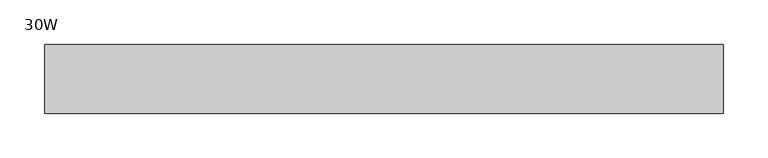
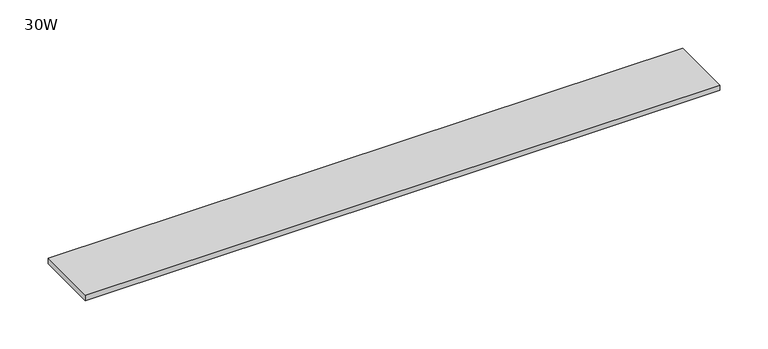
"""IFC4 building model written with IfcOpenShell, lengths in millimetres: furniture geometry, 30W."""

import ifcopenshell
import ifcopenshell.guid

model = None  # the IFC model being written
_history = None  # IfcOwnerHistory: only IFC2X3 demands one
_inside = {}  # id of a spatial element -> (the spatial element, [elements in it])
_under = {}  # id of a project, library or spatial element -> (it, [spatial elements below it])
_declared = {}  # id of a project -> (the project, [libraries it declares])
_typed = {}  # id of a type object -> (the type object, [elements of that type])
_made_of = {}  # id of a material, layer set ... -> (it, [elements and type objects made of it])


def new_model(schema):
    """Start an empty IFC model of exactly this schema.

    Asked for "IFC4X3", IfcOpenShell would pick the latest addendum, in which some entities
    have other attributes; the version numbers below select the first issue.
    IFC2X3 requires an IfcOwnerHistory on every rooted entity: one is made here for all.
    """
    global model, _history
    if schema == "IFC4X3":
        model = ifcopenshell.file(schema_version=(4, 3, 0, 0))
    else:
        model = ifcopenshell.file(schema=schema)
    _inside.clear()
    _under.clear()
    _declared.clear()
    _typed.clear()
    _made_of.clear()
    _history = None
    if model.schema == "IFC2X3":
        org = make("IfcOrganization", Name="unknown")
        user = make(
            "IfcPersonAndOrganization",
            ThePerson=make("IfcPerson", FamilyName="unknown"),
            TheOrganization=org,
        )
        app = make(
            "IfcApplication",
            ApplicationDeveloper=org,
            Version="unknown",
            ApplicationFullName="unknown",
            ApplicationIdentifier="unknown",
        )
        _history = make(
            "IfcOwnerHistory",
            OwningUser=user,
            OwningApplication=app,
            ChangeAction="ADDED",
            CreationDate=0,
        )
    return model


def make(cls, **values):
    """One entity of the class cls with the attributes given. An attribute that is None is left unset."""
    return model.create_entity(
        cls, **{name: value for name, value in values.items() if value is not None}
    )


def rooted(cls, **values):
    """An entity with a GlobalId (a new one), such as an element, a storey or a relation."""
    return make(cls, GlobalId=ifcopenshell.guid.new(), OwnerHistory=_history, **values)


def si_unit(unit_type, name, prefix=None):
    """IfcSIUnit, for example si_unit("LENGTHUNIT", "METRE", prefix="MILLI")."""
    return make("IfcSIUnit", UnitType=unit_type, Prefix=prefix, Name=name)


def assignment(units):
    """IfcUnitAssignment: the units of a project."""
    return None if units is None else make("IfcUnitAssignment", Units=units)


def point(xyz):
    """IfcCartesianPoint."""
    return None if xyz is None else make("IfcCartesianPoint", Coordinates=xyz)


def direction(xyz):
    """IfcDirection."""
    return None if xyz is None else make("IfcDirection", DirectionRatios=xyz)


def frame(location, z_axis=None, x_axis=None):
    """IfcAxis2Placement3D, a coordinate frame: its origin and axes. An axis left out is left unset."""
    return make(
        "IfcAxis2Placement3D",
        Location=point(location),
        Axis=direction(z_axis),
        RefDirection=direction(x_axis),
    )


def origin():
    """The frame at (0, 0, 0) with its axes left unset."""
    return frame((0.0, 0.0, 0.0))


def place(relative_to, where):
    """IfcLocalPlacement: puts the frame where relative to a parent placement (None: the world)."""
    return make(
        "IfcLocalPlacement", PlacementRelTo=relative_to, RelativePlacement=where
    )


def context(
    kind, dimensions, precision=None, world=None, true_north=None, identifier=None
):
    """IfcGeometricRepresentationContext, for example the 3D "Model" context."""
    return make(
        "IfcGeometricRepresentationContext",
        ContextIdentifier=identifier,
        ContextType=kind,
        CoordinateSpaceDimension=dimensions,
        Precision=precision,
        WorldCoordinateSystem=world,
        TrueNorth=true_north,
    )


def project(units=None, contexts=None):
    """IfcProject with its units and contexts."""
    return rooted(
        "IfcProject",
        Name="project",
        RepresentationContexts=contexts,
        UnitsInContext=assignment(units),
    )


def spatial(cls, under=None, at=None, **own):
    """A site, building, storey or space (cls), placed at a placement, below another one or the project."""
    s = rooted(cls, ObjectPlacement=at, **own)
    if under is not None:
        _under.setdefault(under.id(), (under, []))[1].append(s)
    return s


def polyline(points):
    """IfcPolyline through the points."""
    return make("IfcPolyline", Points=[point(p) for p in points])


def outline(outer, holes=None, kind="AREA"):
    """IfcArbitraryClosedProfileDef: a profile drawn as a closed curve; with holes, ...WithVoids."""
    if holes is None:
        return make("IfcArbitraryClosedProfileDef", ProfileType=kind, OuterCurve=outer)
    return make(
        "IfcArbitraryProfileDefWithVoids",
        ProfileType=kind,
        OuterCurve=outer,
        InnerCurves=holes,
    )


def extrude(swept, where, along, depth):
    """IfcExtrudedAreaSolid: the profile swept, set in the frame where, extruded along a direction by depth."""
    return make(
        "IfcExtrudedAreaSolid",
        SweptArea=swept,
        Position=where,
        ExtrudedDirection=direction(along),
        Depth=depth,
    )


def shape(context_of_items, identifier, shape_type, items):
    """IfcShapeRepresentation: the items that make up one representation, for example the "Body"."""
    return make(
        "IfcShapeRepresentation",
        ContextOfItems=context_of_items,
        RepresentationIdentifier=identifier,
        RepresentationType=shape_type,
        Items=items,
    )


def source(mapping_origin, context_of_items, identifier, shape_type, items):
    """IfcRepresentationMap: a shape defined once, which mapped items show again and again."""
    return make(
        "IfcRepresentationMap",
        MappingOrigin=mapping_origin,
        MappedRepresentation=shape(context_of_items, identifier, shape_type, items),
    )


def transform(
    local_origin,
    x_axis=None,
    y_axis=None,
    z_axis=None,
    scale=None,
    scale2=None,
    scale3=None,
    uniform=True,
):
    """IfcCartesianTransformationOperator3D, or its non-uniform kind. x_axis, y_axis, z_axis: its Axis1, 2, 3."""
    if uniform:
        return make(
            "IfcCartesianTransformationOperator3D",
            Axis1=direction(x_axis),
            Axis2=direction(y_axis),
            LocalOrigin=point(local_origin),
            Scale=scale,
            Axis3=direction(z_axis),
        )
    return make(
        "IfcCartesianTransformationOperator3DnonUniform",
        Axis1=direction(x_axis),
        Axis2=direction(y_axis),
        LocalOrigin=point(local_origin),
        Scale=scale,
        Axis3=direction(z_axis),
        Scale2=scale2,
        Scale3=scale3,
    )


def mapped(mapping_source, mapping_target):
    """IfcMappedItem: shows the shape of a source again, moved by a transform."""
    return make(
        "IfcMappedItem", MappingSource=mapping_source, MappingTarget=mapping_target
    )


def made_of(thing, what):
    """Note that an element or type object is made of a material, layer set ...; save() writes the relation."""
    if what is not None:
        _made_of.setdefault(what.id(), (what, []))[1].append(thing)
    return thing


def element(
    cls,
    number,
    at=None,
    inside=None,
    cuts=None,
    type_object=None,
    material=None,
    context=None,
    identifier="Body",
    shape_type=None,
    held_by="IfcProductDefinitionShape",
    body=None,
    shapes=None,
    **own,
):
    """One element of the class cls, such as IfcWall. Its Tag is "e" and its number.

    at: its placement. inside: the storey or other place that contains it. cuts: it is an
    opening in that element (IfcRelVoidsElement). A single representation is given by context,
    identifier, shape_type and body (its items); several are given by shapes. held_by: the class
    of the entity that holds the representations. save() writes the other relations.
    """
    e = rooted(cls, Tag="e%d" % number, ObjectPlacement=at, **own)
    if body is not None:
        shapes = [shape(context, identifier, shape_type, body)]
    if shapes is not None:
        e.Representation = make(held_by, Representations=shapes)
    if inside is not None:
        _inside.setdefault(inside.id(), (inside, []))[1].append(e)
    if cuts is not None:
        rooted(
            "IfcRelVoidsElement", RelatingBuildingElement=cuts, RelatedOpeningElement=e
        )
    if type_object is not None:
        _typed.setdefault(type_object.id(), (type_object, []))[1].append(e)
    return made_of(e, material)


def aggregate(whole, parts):
    """IfcRelAggregates: a whole, such as a stair, and the parts it consists of."""
    return rooted("IfcRelAggregates", RelatingObject=whole, RelatedObjects=parts)


def save(model, path):
    """Write the relations noted so far, then the file.

    IfcRelAggregates (storeys below a building ...), IfcRelContainedInSpatialStructure (elements
    in a storey), IfcRelDefinesByType, IfcRelAssociatesMaterial and IfcRelDeclares: one each for
    every whole, place, type object, material and project.
    """
    for whole, parts in _under.values():
        aggregate(whole, parts)
    for where, things in _inside.values():
        rooted(
            "IfcRelContainedInSpatialStructure",
            RelatedElements=things,
            RelatingStructure=where,
        )
    for kind, things in _typed.values():
        rooted("IfcRelDefinesByType", RelatedObjects=things, RelatingType=kind)
    for what, things in _made_of.values():
        rooted("IfcRelAssociatesMaterial", RelatedObjects=things, RelatingMaterial=what)
    for by, libraries in _declared.values():
        rooted("IfcRelDeclares", RelatingContext=by, RelatedDefinitions=libraries)
    model.write(path)


def furniture_30w_b1a67038(model_context):
    return source(origin(), model_context, "Body", "SweptSolid", [
        extrude(outline(polyline([(325.01205, 38.735), (325.01205, -38.735), (-436.98795, -38.735), (-436.98795, 38.735), (325.01205, 38.735)])), frame((0.0, 0.0, 1048.766), z_axis=(0.0, 0.0, 1.0), x_axis=(1.0, 0.0, 0.0)), (0.0, 0.0, 1.0), 6.858),
    ])


if __name__ == "__main__":
    model = new_model("IFC4")
    model_context = context("Model", 3, world=origin())
    ifc_project = project(units=[si_unit("LENGTHUNIT", "METRE", prefix="MILLI")], contexts=[model_context])
    site = spatial("IfcSite", under=ifc_project)
    building = spatial("IfcBuilding", under=site)
    placement = place(None, origin())
    furniture_30w_shape = furniture_30w_b1a67038(model_context)
    element("IfcFurniture", 1, ObjectType="30W", at=placement, inside=building, context=model_context, shape_type="MappedRepresentation", body=[
        mapped(furniture_30w_shape, transform((0.0, 0.0, 0.0), x_axis=(1.0, 0.0, 0.0), y_axis=(0.0, 1.0, 0.0), z_axis=(0.0, 0.0, 1.0))),
    ])
    save(model, "model.ifc")
